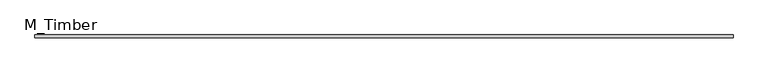
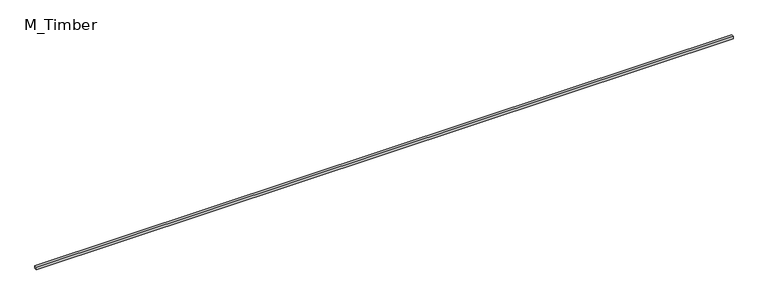
"""IFC4 building model written with IfcOpenShell, lengths in millimetres: beam geometry, M_Timber."""

import ifcopenshell
import ifcopenshell.guid

model = None  # the IFC model being written
_history = None  # IfcOwnerHistory: only IFC2X3 demands one
_inside = {}  # id of a spatial element -> (the spatial element, [elements in it])
_under = {}  # id of a project, library or spatial element -> (it, [spatial elements below it])
_declared = {}  # id of a project -> (the project, [libraries it declares])
_typed = {}  # id of a type object -> (the type object, [elements of that type])
_made_of = {}  # id of a material, layer set ... -> (it, [elements and type objects made of it])


def new_model(schema):
    """Start an empty IFC model of exactly this schema.

    Asked for "IFC4X3", IfcOpenShell would pick the latest addendum, in which some entities
    have other attributes; the version numbers below select the first issue.
    IFC2X3 requires an IfcOwnerHistory on every rooted entity: one is made here for all.
    """
    global model, _history
    if schema == "IFC4X3":
        model = ifcopenshell.file(schema_version=(4, 3, 0, 0))
    else:
        model = ifcopenshell.file(schema=schema)
    _inside.clear()
    _under.clear()
    _declared.clear()
    _typed.clear()
    _made_of.clear()
    _history = None
    if model.schema == "IFC2X3":
        org = make("IfcOrganization", Name="unknown")
        user = make(
            "IfcPersonAndOrganization",
            ThePerson=make("IfcPerson", FamilyName="unknown"),
            TheOrganization=org,
        )
        app = make(
            "IfcApplication",
            ApplicationDeveloper=org,
            Version="unknown",
            ApplicationFullName="unknown",
            ApplicationIdentifier="unknown",
        )
        _history = make(
            "IfcOwnerHistory",
            OwningUser=user,
            OwningApplication=app,
            ChangeAction="ADDED",
            CreationDate=0,
        )
    return model


def make(cls, **values):
    """One entity of the class cls with the attributes given. An attribute that is None is left unset."""
    return model.create_entity(
        cls, **{name: value for name, value in values.items() if value is not None}
    )


def rooted(cls, **values):
    """An entity with a GlobalId (a new one), such as an element, a storey or a relation."""
    return make(cls, GlobalId=ifcopenshell.guid.new(), OwnerHistory=_history, **values)


def si_unit(unit_type, name, prefix=None):
    """IfcSIUnit, for example si_unit("LENGTHUNIT", "METRE", prefix="MILLI")."""
    return make("IfcSIUnit", UnitType=unit_type, Prefix=prefix, Name=name)


def assignment(units):
    """IfcUnitAssignment: the units of a project."""
    return None if units is None else make("IfcUnitAssignment", Units=units)


def point(xyz):
    """IfcCartesianPoint."""
    return None if xyz is None else make("IfcCartesianPoint", Coordinates=xyz)


def direction(xyz):
    """IfcDirection."""
    return None if xyz is None else make("IfcDirection", DirectionRatios=xyz)


def frame(location, z_axis=None, x_axis=None):
    """IfcAxis2Placement3D, a coordinate frame: its origin and axes. An axis left out is left unset."""
    return make(
        "IfcAxis2Placement3D",
        Location=point(location),
        Axis=direction(z_axis),
        RefDirection=direction(x_axis),
    )


def origin():
    """The frame at (0, 0, 0) with its axes left unset."""
    return frame((0.0, 0.0, 0.0))


def place(relative_to, where):
    """IfcLocalPlacement: puts the frame where relative to a parent placement (None: the world)."""
    return make(
        "IfcLocalPlacement", PlacementRelTo=relative_to, RelativePlacement=where
    )


def context(
    kind, dimensions, precision=None, world=None, true_north=None, identifier=None
):
    """IfcGeometricRepresentationContext, for example the 3D "Model" context."""
    return make(
        "IfcGeometricRepresentationContext",
        ContextIdentifier=identifier,
        ContextType=kind,
        CoordinateSpaceDimension=dimensions,
        Precision=precision,
        WorldCoordinateSystem=world,
        TrueNorth=true_north,
    )


def project(units=None, contexts=None):
    """IfcProject with its units and contexts."""
    return rooted(
        "IfcProject",
        Name="project",
        RepresentationContexts=contexts,
        UnitsInContext=assignment(units),
    )


def spatial(cls, under=None, at=None, **own):
    """A site, building, storey or space (cls), placed at a placement, below another one or the project."""
    s = rooted(cls, ObjectPlacement=at, **own)
    if under is not None:
        _under.setdefault(under.id(), (under, []))[1].append(s)
    return s


def polyline(points):
    """IfcPolyline through the points."""
    return make("IfcPolyline", Points=[point(p) for p in points])


def outline(outer, holes=None, kind="AREA"):
    """IfcArbitraryClosedProfileDef: a profile drawn as a closed curve; with holes, ...WithVoids."""
    if holes is None:
        return make("IfcArbitraryClosedProfileDef", ProfileType=kind, OuterCurve=outer)
    return make(
        "IfcArbitraryProfileDefWithVoids",
        ProfileType=kind,
        OuterCurve=outer,
        InnerCurves=holes,
    )


def extrude(swept, where, along, depth):
    """IfcExtrudedAreaSolid: the profile swept, set in the frame where, extruded along a direction by depth."""
    return make(
        "IfcExtrudedAreaSolid",
        SweptArea=swept,
        Position=where,
        ExtrudedDirection=direction(along),
        Depth=depth,
    )


def shape(context_of_items, identifier, shape_type, items):
    """IfcShapeRepresentation: the items that make up one representation, for example the "Body"."""
    return make(
        "IfcShapeRepresentation",
        ContextOfItems=context_of_items,
        RepresentationIdentifier=identifier,
        RepresentationType=shape_type,
        Items=items,
    )


def source(mapping_origin, context_of_items, identifier, shape_type, items):
    """IfcRepresentationMap: a shape defined once, which mapped items show again and again."""
    return make(
        "IfcRepresentationMap",
        MappingOrigin=mapping_origin,
        MappedRepresentation=shape(context_of_items, identifier, shape_type, items),
    )


def transform(
    local_origin,
    x_axis=None,
    y_axis=None,
    z_axis=None,
    scale=None,
    scale2=None,
    scale3=None,
    uniform=True,
):
    """IfcCartesianTransformationOperator3D, or its non-uniform kind. x_axis, y_axis, z_axis: its Axis1, 2, 3."""
    if uniform:
        return make(
            "IfcCartesianTransformationOperator3D",
            Axis1=direction(x_axis),
            Axis2=direction(y_axis),
            LocalOrigin=point(local_origin),
            Scale=scale,
            Axis3=direction(z_axis),
        )
    return make(
        "IfcCartesianTransformationOperator3DnonUniform",
        Axis1=direction(x_axis),
        Axis2=direction(y_axis),
        LocalOrigin=point(local_origin),
        Scale=scale,
        Axis3=direction(z_axis),
        Scale2=scale2,
        Scale3=scale3,
    )


def mapped(mapping_source, mapping_target):
    """IfcMappedItem: shows the shape of a source again, moved by a transform."""
    return make(
        "IfcMappedItem", MappingSource=mapping_source, MappingTarget=mapping_target
    )


def made_of(thing, what):
    """Note that an element or type object is made of a material, layer set ...; save() writes the relation."""
    if what is not None:
        _made_of.setdefault(what.id(), (what, []))[1].append(thing)
    return thing


def element(
    cls,
    number,
    at=None,
    inside=None,
    cuts=None,
    type_object=None,
    material=None,
    context=None,
    identifier="Body",
    shape_type=None,
    held_by="IfcProductDefinitionShape",
    body=None,
    shapes=None,
    **own,
):
    """One element of the class cls, such as IfcWall. Its Tag is "e" and its number.

    at: its placement. inside: the storey or other place that contains it. cuts: it is an
    opening in that element (IfcRelVoidsElement). A single representation is given by context,
    identifier, shape_type and body (its items); several are given by shapes. held_by: the class
    of the entity that holds the representations. save() writes the other relations.
    """
    e = rooted(cls, Tag="e%d" % number, ObjectPlacement=at, **own)
    if body is not None:
        shapes = [shape(context, identifier, shape_type, body)]
    if shapes is not None:
        e.Representation = make(held_by, Representations=shapes)
    if inside is not None:
        _inside.setdefault(inside.id(), (inside, []))[1].append(e)
    if cuts is not None:
        rooted(
            "IfcRelVoidsElement", RelatingBuildingElement=cuts, RelatedOpeningElement=e
        )
    if type_object is not None:
        _typed.setdefault(type_object.id(), (type_object, []))[1].append(e)
    return made_of(e, material)


def aggregate(whole, parts):
    """IfcRelAggregates: a whole, such as a stair, and the parts it consists of."""
    return rooted("IfcRelAggregates", RelatingObject=whole, RelatedObjects=parts)


def save(model, path):
    """Write the relations noted so far, then the file.

    IfcRelAggregates (storeys below a building ...), IfcRelContainedInSpatialStructure (elements
    in a storey), IfcRelDefinesByType, IfcRelAssociatesMaterial and IfcRelDeclares: one each for
    every whole, place, type object, material and project.
    """
    for whole, parts in _under.values():
        aggregate(whole, parts)
    for where, things in _inside.values():
        rooted(
            "IfcRelContainedInSpatialStructure",
            RelatedElements=things,
            RelatingStructure=where,
        )
    for kind, things in _typed.values():
        rooted("IfcRelDefinesByType", RelatedObjects=things, RelatingType=kind)
    for what, things in _made_of.values():
        rooted("IfcRelAssociatesMaterial", RelatedObjects=things, RelatingMaterial=what)
    for by, libraries in _declared.values():
        rooted("IfcRelDeclares", RelatingContext=by, RelatedDefinitions=libraries)
    model.write(path)


def m_timber_39732e28(model_context):
    return source(origin(), model_context, "Body", "SweptSolid", [
        extrude(outline(polyline([(7787.9776618, 30.0), (7787.9776618, -30.0), (-7787.9776618, -30.0), (-7787.9776618, 30.0), (7787.9776618, 30.0)])), frame((0.0, 0.0, -30.0), z_axis=(0.0, 0.0, 1.0), x_axis=(1.0, 0.0, 0.0)), (0.0, 0.0, 1.0), 60.0),
    ])


if __name__ == "__main__":
    model = new_model("IFC4")
    model_context = context("Model", 3, world=origin())
    ifc_project = project(units=[si_unit("LENGTHUNIT", "METRE", prefix="MILLI")], contexts=[model_context])
    site = spatial("IfcSite", under=ifc_project)
    building = spatial("IfcBuilding", under=site)
    placement = place(None, origin())
    m_timber_shape = m_timber_39732e28(model_context)
    element("IfcBeam", 1, ObjectType="M_Timber", at=placement, inside=building, context=model_context, shape_type="MappedRepresentation", body=[
        mapped(m_timber_shape, transform((0.0, 0.0, 0.0), x_axis=(1.0, 0.0, 0.0), y_axis=(0.0, 1.0, 0.0), z_axis=(0.0, 0.0, 1.0))),
    ])
    save(model, "model.ifc")
